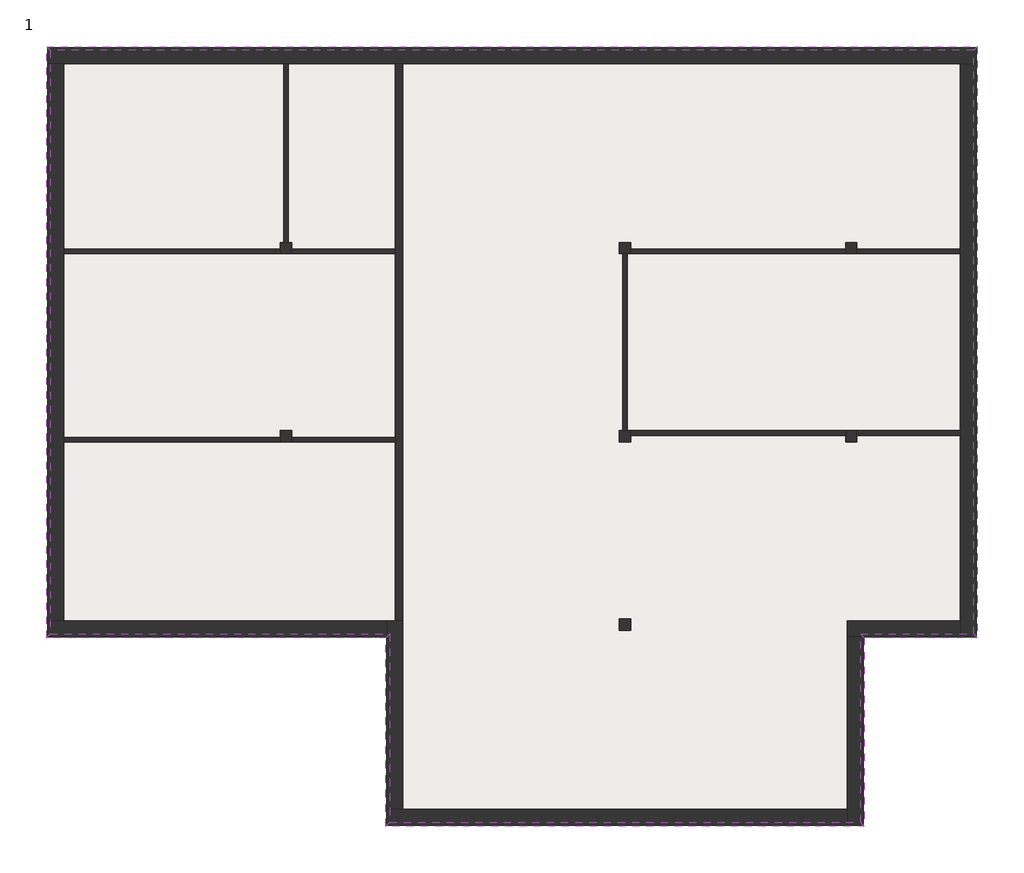
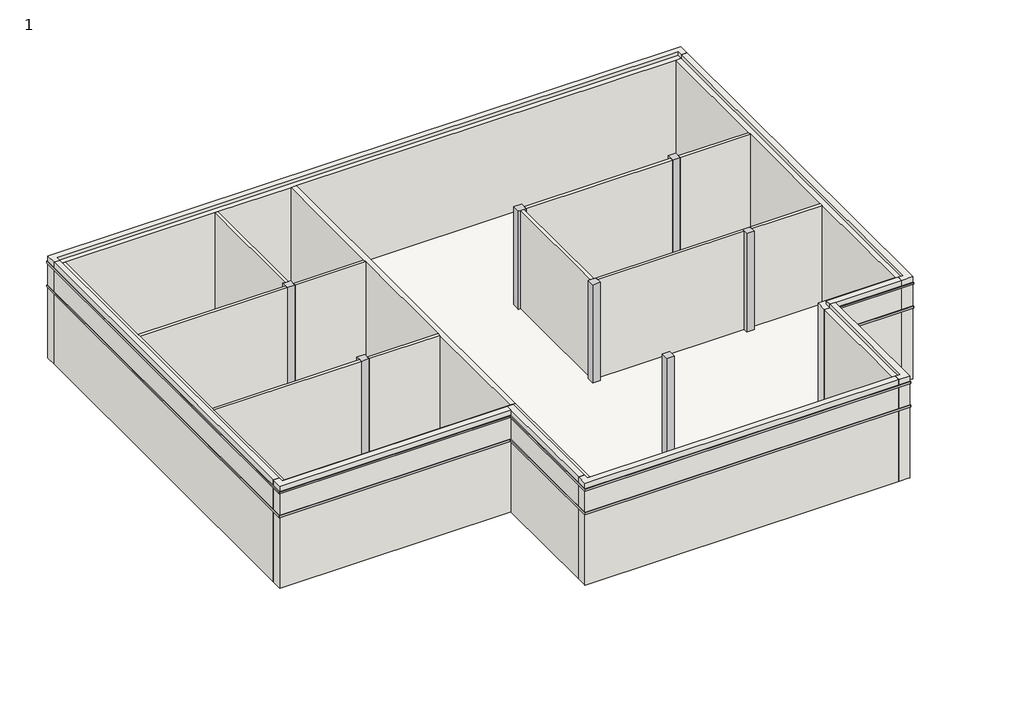
# One storey: 19 walls, 16 proxies, 7 columns, 1 slab.
"""IFC4 building model written with IfcOpenShell, lengths in millimetres."""

from ifc_helpers import new_model, si_unit, frame, origin, place, context, project, spatial, polyline, outline, extrude, faceted_brep, element, save

model = new_model("IFC4")

# Units and contexts
model_context = context("Model", 3, world=origin())
ifc_project = project(units=[si_unit("LENGTHUNIT", "METRE", prefix="MILLI")], contexts=[model_context])

# Site, building, storey
site = spatial("IfcSite", under=ifc_project)
building = spatial("IfcBuilding", under=site)
storey = spatial("IfcBuildingStorey", under=building, Name="1", Elevation=4200.0)

# Proxies
placement = place(None, origin())
element("IfcBuildingElementProxy", 1, Name="Reveals", at=placement, inside=storey, context=model_context, shape_type="SweptSolid", body=[
    extrude(outline(polyline([(-16305.387527, 15039.0054116), (-16407.887527, 15141.5054116), (8291.112473, 15141.5054116), (8188.612473, 15039.0054116), (-16305.387527, 15039.0054116)])), frame((0.0, 0.0, 7125.0), z_axis=(0.0, 0.0, 1.0), x_axis=(1.0, 0.0, 0.0)), (0.0, 0.0, 1.0), 75.0),
])
element("IfcBuildingElementProxy", 2, Name="Reveals", at=placement, inside=storey, context=model_context, shape_type="SweptSolid", body=[
    extrude(outline(polyline([(-16305.387527, 15039.0054116), (-16407.887527, 15141.5054116), (8291.112473, 15141.5054116), (8188.612473, 15039.0054116), (-16305.387527, 15039.0054116)])), frame((0.0, 0.0, 8100.0), z_axis=(0.0, 0.0, 1.0), x_axis=(1.0, 0.0, 0.0)), (0.0, 0.0, 1.0), 75.0),
])
element("IfcBuildingElementProxy", 3, Name="Reveals", at=placement, inside=storey, context=model_context, shape_type="SweptSolid", body=[
    extrude(outline(polyline([(8188.612473, 15039.0054116), (8291.112473, 15141.5054116), (8291.112473, -557.4945884), (8188.612473, -454.9945884), (8188.612473, 15039.0054116)])), frame((0.0, 0.0, 7125.0), z_axis=(0.0, 0.0, 1.0), x_axis=(1.0, 0.0, 0.0)), (0.0, 0.0, 1.0), 75.0),
])
element("IfcBuildingElementProxy", 4, Name="Reveals", at=placement, inside=storey, context=model_context, shape_type="SweptSolid", body=[
    extrude(outline(polyline([(8188.612473, 15039.0054116), (8291.112473, 15141.5054116), (8291.112473, -557.4945884), (8188.612473, -454.9945884), (8188.612473, 15039.0054116)])), frame((0.0, 0.0, 8100.0), z_axis=(0.0, 0.0, 1.0), x_axis=(1.0, 0.0, 0.0)), (0.0, 0.0, 1.0), 75.0),
])
element("IfcBuildingElementProxy", 5, Name="Reveals", at=placement, inside=storey, context=model_context, shape_type="SweptSolid", body=[
    extrude(outline(polyline([(8188.612473, -454.9945884), (8291.112473, -557.4945884), (5291.112473, -557.4945884), (5188.612473, -454.9945884), (8188.612473, -454.9945884)])), frame((0.0, 0.0, 7125.0), z_axis=(0.0, 0.0, 1.0), x_axis=(1.0, 0.0, 0.0)), (0.0, 0.0, 1.0), 75.0),
])
element("IfcBuildingElementProxy", 6, Name="Reveals", at=placement, inside=storey, context=model_context, shape_type="SweptSolid", body=[
    extrude(outline(polyline([(8188.612473, -454.9945884), (8291.112473, -557.4945884), (5291.112473, -557.4945884), (5188.612473, -454.9945884), (8188.612473, -454.9945884)])), frame((0.0, 0.0, 8100.0), z_axis=(0.0, 0.0, 1.0), x_axis=(1.0, 0.0, 0.0)), (0.0, 0.0, 1.0), 75.0),
])
element("IfcBuildingElementProxy", 7, Name="Reveals", at=placement, inside=storey, context=model_context, shape_type="SweptSolid", body=[
    extrude(outline(polyline([(5188.612473, -454.9945884), (5291.112473, -557.4945884), (5291.112473, -5557.4945884), (5188.612473, -5454.9945884), (5188.612473, -454.9945884)])), frame((0.0, 0.0, 7125.0), z_axis=(0.0, 0.0, 1.0), x_axis=(1.0, 0.0, 0.0)), (0.0, 0.0, 1.0), 75.0),
])
element("IfcBuildingElementProxy", 8, Name="Reveals", at=placement, inside=storey, context=model_context, shape_type="SweptSolid", body=[
    extrude(outline(polyline([(5188.612473, -454.9945884), (5291.112473, -557.4945884), (5291.112473, -5557.4945884), (5188.612473, -5454.9945884), (5188.612473, -454.9945884)])), frame((0.0, 0.0, 8100.0), z_axis=(0.0, 0.0, 1.0), x_axis=(1.0, 0.0, 0.0)), (0.0, 0.0, 1.0), 75.0),
])
element("IfcBuildingElementProxy", 9, Name="Reveals", at=placement, inside=storey, context=model_context, shape_type="SweptSolid", body=[
    extrude(outline(polyline([(5188.612473, -5454.9945884), (5291.112473, -5557.4945884), (-7407.887527, -5557.4945884), (-7305.387527, -5454.9945884), (5188.612473, -5454.9945884)])), frame((0.0, 0.0, 7125.0), z_axis=(0.0, 0.0, 1.0), x_axis=(1.0, 0.0, 0.0)), (0.0, 0.0, 1.0), 75.0),
])
element("IfcBuildingElementProxy", 10, Name="Reveals", at=placement, inside=storey, context=model_context, shape_type="SweptSolid", body=[
    extrude(outline(polyline([(5188.612473, -5454.9945884), (5291.112473, -5557.4945884), (-7407.887527, -5557.4945884), (-7305.387527, -5454.9945884), (5188.612473, -5454.9945884)])), frame((0.0, 0.0, 8100.0), z_axis=(0.0, 0.0, 1.0), x_axis=(1.0, 0.0, 0.0)), (0.0, 0.0, 1.0), 75.0),
])
element("IfcBuildingElementProxy", 11, Name="Reveals", at=placement, inside=storey, context=model_context, shape_type="SweptSolid", body=[
    extrude(outline(polyline([(-7305.387527, -5454.9945884), (-7407.887527, -5557.4945884), (-7407.887527, -557.4945884), (-7305.387527, -454.9945884), (-7305.387527, -5454.9945884)])), frame((0.0, 0.0, 7125.0), z_axis=(0.0, 0.0, 1.0), x_axis=(1.0, 0.0, 0.0)), (0.0, 0.0, 1.0), 75.0),
])
element("IfcBuildingElementProxy", 12, Name="Reveals", at=placement, inside=storey, context=model_context, shape_type="SweptSolid", body=[
    extrude(outline(polyline([(-7305.387527, -5454.9945884), (-7407.887527, -5557.4945884), (-7407.887527, -557.4945884), (-7305.387527, -454.9945884), (-7305.387527, -5454.9945884)])), frame((0.0, 0.0, 8100.0), z_axis=(0.0, 0.0, 1.0), x_axis=(1.0, 0.0, 0.0)), (0.0, 0.0, 1.0), 75.0),
])
element("IfcBuildingElementProxy", 13, Name="Reveals", at=placement, inside=storey, context=model_context, shape_type="SweptSolid", body=[
    extrude(outline(polyline([(-7305.387527, -454.9945884), (-7407.887527, -557.4945884), (-16407.887527, -557.4945884), (-16305.387527, -454.9945884), (-7305.387527, -454.9945884)])), frame((0.0, 0.0, 7125.0), z_axis=(0.0, 0.0, 1.0), x_axis=(1.0, 0.0, 0.0)), (0.0, 0.0, 1.0), 75.0),
])
element("IfcBuildingElementProxy", 14, Name="Reveals", at=placement, inside=storey, context=model_context, shape_type="SweptSolid", body=[
    extrude(outline(polyline([(-7305.387527, -454.9945884), (-7407.887527, -557.4945884), (-16407.887527, -557.4945884), (-16305.387527, -454.9945884), (-7305.387527, -454.9945884)])), frame((0.0, 0.0, 8100.0), z_axis=(0.0, 0.0, 1.0), x_axis=(1.0, 0.0, 0.0)), (0.0, 0.0, 1.0), 75.0),
])
element("IfcBuildingElementProxy", 15, Name="Reveals", at=placement, inside=storey, context=model_context, shape_type="SweptSolid", body=[
    extrude(outline(polyline([(-16305.387527, -454.9945884), (-16407.887527, -557.4945884), (-16407.887527, 15141.5054116), (-16305.387527, 15039.0054116), (-16305.387527, -454.9945884)])), frame((0.0, 0.0, 7125.0), z_axis=(0.0, 0.0, 1.0), x_axis=(1.0, 0.0, 0.0)), (0.0, 0.0, 1.0), 75.0),
])
element("IfcBuildingElementProxy", 16, Name="Reveals", at=placement, inside=storey, context=model_context, shape_type="SweptSolid", body=[
    extrude(outline(polyline([(-16305.387527, -454.9945884), (-16407.887527, -557.4945884), (-16407.887527, 15141.5054116), (-16305.387527, 15039.0054116), (-16305.387527, -454.9945884)])), frame((0.0, 0.0, 8100.0), z_axis=(0.0, 0.0, 1.0), x_axis=(1.0, 0.0, 0.0)), (0.0, 0.0, 1.0), 75.0),
])

# Columns
element("IfcColumn", 17, ObjectType="300 x 300 mm", at=placement, inside=storey, context=model_context, shape_type="Brep", body=[
    faceted_brep([(-9908.387527, 9942.0054116, 4200.0), (-9908.387527, 9766.0054116, 4200.0), (-9908.387527, 9642.0054116, 4200.0), (-10208.387527, 9642.0054116, 4200.0), (-10208.387527, 9942.0054116, 4200.0), (-10120.387527, 9942.0054116, 4200.0), (-9996.387527, 9942.0054116, 4200.0), (-9908.387527, 9942.0054116, 8250.0), (-9908.387527, 9766.0054116, 8250.0), (-9908.387527, 9642.0054116, 8250.0), (-10208.387527, 9642.0054116, 8250.0), (-10208.387527, 9942.0054116, 8250.0), (-10120.387527, 9942.0054116, 8250.0), (-9996.387527, 9942.0054116, 8250.0)], [[[0, 1, 2, 3, 4, 5, 6]], [[2, 1, 0, 7, 8, 9]], [[3, 2, 9, 10]], [[4, 3, 10, 11]], [[0, 6, 5, 4, 11, 12, 13, 7]], [[9, 8, 7, 13, 12, 11, 10]]]),
])
element("IfcColumn", 18, ObjectType="300 x 300 mm", at=placement, inside=storey, context=model_context, shape_type="Brep", body=[
    faceted_brep([(-9908.387527, 4942.0054116, 4200.0), (-9908.387527, 4766.0054116, 4200.0), (-9908.387527, 4642.0054116, 4200.0), (-10208.387527, 4642.0054116, 4200.0), (-10208.387527, 4766.0054116, 4200.0), (-10208.387527, 4942.0054116, 4200.0), (-9908.387527, 4942.0054116, 8250.0), (-9908.387527, 4766.0054116, 8250.0), (-9908.387527, 4642.0054116, 8250.0), (-10208.387527, 4642.0054116, 8250.0), (-10208.387527, 4766.0054116, 8250.0), (-10208.387527, 4942.0054116, 8250.0)], [[[0, 1, 2, 3, 4, 5]], [[2, 1, 0, 6, 7, 8]], [[3, 2, 8, 9]], [[5, 4, 3, 9, 10, 11]], [[0, 5, 11, 6]], [[8, 7, 6, 11, 10, 9]]]),
])
element("IfcColumn", 19, ObjectType="300 x 300 mm", at=placement, inside=storey, context=model_context, shape_type="Brep", body=[
    faceted_brep([(-908.387527, 9942.0054116, 4200.0), (-908.387527, 9766.0054116, 4200.0), (-908.387527, 9642.0054116, 4200.0), (-996.387527, 9642.0054116, 4200.0), (-1120.387527, 9642.0054116, 4200.0), (-1208.387527, 9642.0054116, 4200.0), (-1208.387527, 9942.0054116, 4200.0), (-908.387527, 9942.0054116, 8250.0), (-908.387527, 9766.0054116, 8250.0), (-908.387527, 9642.0054116, 8250.0), (-996.387527, 9642.0054116, 8250.0), (-1120.387527, 9642.0054116, 8250.0), (-1208.387527, 9642.0054116, 8250.0), (-1208.387527, 9942.0054116, 8250.0)], [[[0, 1, 2, 3, 4, 5, 6]], [[2, 1, 0, 7, 8, 9]], [[5, 4, 3, 2, 9, 10, 11, 12]], [[6, 5, 12, 13]], [[0, 6, 13, 7]], [[9, 8, 7, 13, 12, 11, 10]]]),
])
element("IfcColumn", 20, ObjectType="300 x 300 mm", at=placement, inside=storey, context=model_context, shape_type="Brep", body=[
    faceted_brep([(-908.387527, 4942.0054116, 4200.0), (-908.387527, 4818.0054116, 4200.0), (-908.387527, 4642.0054116, 4200.0), (-1208.387527, 4642.0054116, 4200.0), (-1208.387527, 4942.0054116, 4200.0), (-1120.387527, 4942.0054116, 4200.0), (-996.387527, 4942.0054116, 4200.0), (-908.387527, 4942.0054116, 8250.0), (-908.387527, 4818.0054116, 8250.0), (-908.387527, 4642.0054116, 8250.0), (-1208.387527, 4642.0054116, 8250.0), (-1208.387527, 4942.0054116, 8250.0), (-1120.387527, 4942.0054116, 8250.0), (-996.387527, 4942.0054116, 8250.0)], [[[0, 1, 2, 3, 4, 5, 6]], [[2, 1, 0, 7, 8, 9]], [[3, 2, 9, 10]], [[4, 3, 10, 11]], [[0, 6, 5, 4, 11, 12, 13, 7]], [[9, 8, 7, 13, 12, 11, 10]]]),
])
element("IfcColumn", 21, ObjectType="300 x 300 mm", at=placement, inside=storey, context=model_context, shape_type="Brep", body=[
    faceted_brep([(5091.612473, 9942.0054116, 4200.0), (5091.612473, 9766.0054116, 4200.0), (5091.612473, 9642.0054116, 4200.0), (4791.612473, 9642.0054116, 4200.0), (4791.612473, 9766.0054116, 4200.0), (4791.612473, 9942.0054116, 4200.0), (5091.612473, 9942.0054116, 8250.0), (5091.612473, 9766.0054116, 8250.0), (5091.612473, 9642.0054116, 8250.0), (4791.612473, 9642.0054116, 8250.0), (4791.612473, 9766.0054116, 8250.0), (4791.612473, 9942.0054116, 8250.0)], [[[0, 1, 2, 3, 4, 5]], [[2, 1, 0, 6, 7, 8]], [[3, 2, 8, 9]], [[5, 4, 3, 9, 10, 11]], [[0, 5, 11, 6]], [[8, 7, 6, 11, 10, 9]]]),
])
element("IfcColumn", 22, ObjectType="300 x 300 mm", at=placement, inside=storey, context=model_context, shape_type="Brep", body=[
    faceted_brep([(5091.612473, 4942.0054116, 4200.0), (5091.612473, 4818.0054116, 4200.0), (5091.612473, 4642.0054116, 4200.0), (4791.612473, 4642.0054116, 4200.0), (4791.612473, 4818.0054116, 4200.0), (4791.612473, 4942.0054116, 4200.0), (5091.612473, 4942.0054116, 8250.0), (5091.612473, 4818.0054116, 8250.0), (5091.612473, 4642.0054116, 8250.0), (4791.612473, 4642.0054116, 8250.0), (4791.612473, 4818.0054116, 8250.0), (4791.612473, 4942.0054116, 8250.0)], [[[0, 1, 2, 3, 4, 5]], [[2, 1, 0, 6, 7, 8]], [[3, 2, 8, 9]], [[5, 4, 3, 9, 10, 11]], [[0, 5, 11, 6]], [[8, 7, 6, 11, 10, 9]]]),
])
element("IfcColumn", 23, ObjectType="300 x 300 mm", at=placement, inside=storey, context=model_context, shape_type="SweptSolid", body=[
    extrude(outline(polyline([(-908.387527, -57.9945884), (-908.387527, -357.9945884), (-1208.387527, -357.9945884), (-1208.387527, -57.9945884), (-908.387527, -57.9945884)])), frame((0.0, 0.0, 4200.0), z_axis=(0.0, 0.0, 1.0), x_axis=(1.0, 0.0, 0.0)), (0.0, 0.0, 1.0), 4050.0),
])

# Slab
element("IfcSlab", 24, at=placement, inside=storey, context=model_context, shape_type="Brep", body=[
    faceted_brep([(8036.612473, 14887.0054116, 4050.0), (8036.612473, 14685.0054116, 4050.0), (8036.612473, -302.9945884, 4050.0), (7834.612473, -302.9945884, 4050.0), (5036.612473, -302.9945884, 4050.0), (5036.612473, -529.9945884, 4050.0), (5036.612473, -5302.9945884, 4050.0), (4834.612473, -5302.9945884, 4050.0), (-7153.387527, -5302.9945884, 4050.0), (-7153.387527, -5100.9945884, 4050.0), (-7153.387527, -302.9945884, 4050.0), (-7380.387527, -302.9945884, 4050.0), (-16153.387527, -302.9945884, 4050.0), (-16153.387527, -100.9945884, 4050.0), (-16153.387527, 14685.0054116, 4050.0), (-16153.387527, 14887.0054116, 4050.0), (8036.612473, 14887.0054116, 4200.0), (-16153.387527, 14887.0054116, 4200.0), (-16153.387527, 14685.0054116, 4200.0), (-16153.387527, -100.9945884, 4200.0), (-16153.387527, -302.9945884, 4200.0), (-7380.387527, -302.9945884, 4200.0), (-7153.387527, -302.9945884, 4200.0), (-7153.387527, -5100.9945884, 4200.0), (-7153.387527, -5302.9945884, 4200.0), (4834.612473, -5302.9945884, 4200.0), (5036.612473, -5302.9945884, 4200.0), (5036.612473, -529.9945884, 4200.0), (5036.612473, -302.9945884, 4200.0), (7834.612473, -302.9945884, 4200.0), (8036.612473, -302.9945884, 4200.0), (8036.612473, 14685.0054116, 4200.0)], [[[0, 1, 2, 3, 4, 5, 6, 7, 8, 9, 10, 11, 12, 13, 14, 15]], [[16, 17, 18, 19, 20, 21, 22, 23, 24, 25, 26, 27, 28, 29, 30, 31]], [[2, 1, 0, 16, 31, 30]], [[4, 3, 2, 30, 29, 28]], [[6, 5, 4, 28, 27, 26]], [[8, 7, 6, 26, 25, 24]], [[10, 9, 8, 24, 23, 22]], [[12, 11, 10, 22, 21, 20]], [[15, 14, 13, 12, 20, 19, 18, 17]], [[0, 15, 17, 16]]]),
])

# Walls
element("IfcWall", 25, at=placement, inside=storey, context=model_context, shape_type="Brep", body=[
    faceted_brep([(-16380.387527, 14685.0054116, 4200.0), (-15951.387527, 14685.0054116, 4200.0), (-10120.387527, 14685.0054116, 4200.0), (-9996.387527, 14685.0054116, 4200.0), (-7151.387527, 14685.0054116, 4200.0), (-6951.387527, 14685.0054116, 4200.0), (7834.612473, 14685.0054116, 4200.0), (8263.612473, 14685.0054116, 4200.0), (8263.612473, 14685.0054116, 7125.0), (8188.612473, 14685.0054116, 7125.0), (8188.612473, 14685.0054116, 7200.0), (8263.612473, 14685.0054116, 7200.0), (8263.612473, 14685.0054116, 8100.0), (8188.612473, 14685.0054116, 8100.0), (8188.612473, 14685.0054116, 8175.0), (8263.612473, 14685.0054116, 8175.0), (8263.612473, 14685.0054116, 8400.0), (8036.612473, 14685.0054116, 8400.0), (8036.612473, 14685.0054116, 8250.0), (7834.612473, 14685.0054116, 8250.0), (-6951.387527, 14685.0054116, 8250.0), (-7151.387527, 14685.0054116, 8250.0), (-9996.387527, 14685.0054116, 8250.0), (-10120.387527, 14685.0054116, 8250.0), (-15951.387527, 14685.0054116, 8250.0), (-16153.387527, 14685.0054116, 8250.0), (-16153.387527, 14685.0054116, 8400.0), (-16380.387527, 14685.0054116, 8400.0), (-16380.387527, 14685.0054116, 8175.0), (-16305.387527, 14685.0054116, 8175.0), (-16305.387527, 14685.0054116, 8100.0), (-16380.387527, 14685.0054116, 8100.0), (-16380.387527, 14685.0054116, 7200.0), (-16305.387527, 14685.0054116, 7200.0), (-16305.387527, 14685.0054116, 7125.0), (-16380.387527, 14685.0054116, 7125.0), (-16380.387527, 15114.0054116, 8400.0), (8263.612473, 15114.0054116, 8400.0), (8263.612473, 15114.0054116, 8175.0), (-16380.387527, 15114.0054116, 8175.0), (8263.612473, 15114.0054116, 4200.0), (-16380.387527, 15114.0054116, 4200.0), (-16380.387527, 15114.0054116, 7125.0), (8263.612473, 15114.0054116, 7125.0), (8263.612473, 15114.0054116, 8100.0), (8263.612473, 15114.0054116, 7200.0), (-16380.387527, 15114.0054116, 7200.0), (-16380.387527, 15114.0054116, 8100.0), (-16153.387527, 14887.0054116, 8400.0), (8036.612473, 14887.0054116, 8400.0), (-16380.387527, 15089.0054116, 4200.0), (8263.612473, 15089.0054116, 4200.0), (-16305.387527, 15039.0054116, 7125.0), (-16305.387527, 15039.0054116, 7200.0), (8188.612473, 15039.0054116, 7200.0), (8188.612473, 15039.0054116, 7125.0), (-16305.387527, 15039.0054116, 8100.0), (-16305.387527, 15039.0054116, 8175.0), (8188.612473, 15039.0054116, 8175.0), (8188.612473, 15039.0054116, 8100.0), (8036.612473, 14887.0054116, 8250.0), (-16153.387527, 14887.0054116, 8250.0)], [[[0, 1, 2, 3, 4, 5, 6, 7, 8, 9, 10, 11, 12, 13, 14, 15, 16, 17, 18, 19, 20, 21, 22, 23, 24, 25, 26, 27, 28, 29, 30, 31, 32, 33, 34, 35]], [[36, 37, 38, 39]], [[40, 41, 42, 43]], [[44, 45, 46, 47]], [[37, 36, 27, 26, 48, 49, 17, 16]], [[7, 6, 5, 4, 3, 2, 1, 0, 50, 51]], [[52, 53, 54, 55]], [[56, 57, 58, 59]], [[37, 16, 15, 38]], [[7, 51, 40, 43, 8]], [[12, 11, 45, 44]], [[55, 54, 10, 9]], [[59, 58, 14, 13]], [[27, 36, 39, 28]], [[50, 0, 35, 42, 41]], [[46, 32, 31, 47]], [[41, 40, 51, 50]], [[54, 53, 33, 32, 46, 45, 11, 10]], [[52, 55, 9, 8, 43, 42, 35, 34]], [[53, 52, 34, 33]], [[58, 57, 29, 28, 39, 38, 15, 14]], [[56, 59, 13, 12, 44, 47, 31, 30]], [[57, 56, 30, 29]], [[60, 61, 25, 24, 23, 22, 21, 20, 19, 18]], [[49, 60, 18, 17]], [[61, 48, 26, 25]], [[61, 60, 49, 48]]]),
])
element("IfcWall", 26, at=placement, inside=storey, context=model_context, shape_type="Brep", body=[
    faceted_brep([(7834.612473, 14685.0054116, 4200.0), (7834.612473, 9766.0054116, 4200.0), (7834.612473, 9642.0054116, 4200.0), (7834.612473, 4942.0054116, 4200.0), (7834.612473, 4818.0054116, 4200.0), (7834.612473, -100.9945884, 4200.0), (7834.612473, -529.9945884, 4200.0), (7834.612473, -529.9945884, 7125.0), (7834.612473, -454.9945884, 7125.0), (7834.612473, -454.9945884, 7200.0), (7834.612473, -529.9945884, 7200.0), (7834.612473, -529.9945884, 8100.0), (7834.612473, -454.9945884, 8100.0), (7834.612473, -454.9945884, 8175.0), (7834.612473, -529.9945884, 8175.0), (7834.612473, -529.9945884, 8400.0), (7834.612473, -302.9945884, 8400.0), (7834.612473, -302.9945884, 8250.0), (7834.612473, 4818.0054116, 8250.0), (7834.612473, 4942.0054116, 8250.0), (7834.612473, 9642.0054116, 8250.0), (7834.612473, 9766.0054116, 8250.0), (7834.612473, 14685.0054116, 8250.0), (8263.612473, 14685.0054116, 8400.0), (8263.612473, -529.9945884, 8400.0), (8263.612473, -529.9945884, 8175.0), (8263.612473, 14685.0054116, 8175.0), (8263.612473, -529.9945884, 4200.0), (8263.612473, 14685.0054116, 4200.0), (8263.612473, 14685.0054116, 7125.0), (8263.612473, -529.9945884, 7125.0), (8263.612473, -529.9945884, 7200.0), (8263.612473, 14685.0054116, 7200.0), (8263.612473, 14685.0054116, 8100.0), (8263.612473, -529.9945884, 8100.0), (8036.612473, 14685.0054116, 8400.0), (8036.612473, -302.9945884, 8400.0), (8238.612473, 14685.0054116, 4200.0), (8238.612473, -529.9945884, 4200.0), (8188.612473, -454.9945884, 7125.0), (8188.612473, 14685.0054116, 7125.0), (8188.612473, 14685.0054116, 7200.0), (8188.612473, -454.9945884, 7200.0), (8188.612473, -454.9945884, 8100.0), (8188.612473, 14685.0054116, 8100.0), (8188.612473, 14685.0054116, 8175.0), (8188.612473, -454.9945884, 8175.0), (8036.612473, 14685.0054116, 8250.0), (8036.612473, -302.9945884, 8250.0)], [[[0, 1, 2, 3, 4, 5, 6, 7, 8, 9, 10, 11, 12, 13, 14, 15, 16, 17, 18, 19, 20, 21, 22]], [[23, 24, 25, 26]], [[27, 28, 29, 30]], [[31, 32, 33, 34]], [[24, 23, 35, 36, 16, 15]], [[6, 5, 4, 3, 2, 1, 0, 37, 38]], [[39, 40, 41, 42]], [[43, 44, 45, 46]], [[37, 0, 22, 47, 35, 23, 26, 45, 44, 33, 32, 41, 40, 29, 28]], [[28, 27, 38, 37]], [[42, 41, 32, 31, 10, 9]], [[40, 39, 8, 7, 30, 29]], [[46, 45, 26, 25, 14, 13]], [[44, 43, 12, 11, 34, 33]], [[24, 15, 14, 25]], [[6, 38, 27, 30, 7]], [[10, 31, 34, 11]], [[39, 42, 9, 8]], [[43, 46, 13, 12]], [[17, 48, 47, 22, 21, 20, 19, 18]], [[48, 36, 35, 47]], [[36, 48, 17, 16]]]),
])
element("IfcWall", 27, at=placement, inside=storey, context=model_context, shape_type="Brep", body=[
    faceted_brep([(7834.612473, -100.9945884, 4200.0), (4834.612473, -100.9945884, 4200.0), (4834.612473, -100.9945884, 8250.0), (7834.612473, -100.9945884, 8250.0), (4834.612473, -529.9945884, 4200.0), (5263.612473, -529.9945884, 4200.0), (7834.612473, -529.9945884, 4200.0), (7834.612473, -529.9945884, 7125.0), (5263.612473, -529.9945884, 7125.0), (5188.612473, -529.9945884, 7125.0), (5188.612473, -529.9945884, 7200.0), (5263.612473, -529.9945884, 7200.0), (7834.612473, -529.9945884, 7200.0), (7834.612473, -529.9945884, 8100.0), (5263.612473, -529.9945884, 8100.0), (5188.612473, -529.9945884, 8100.0), (5188.612473, -529.9945884, 8175.0), (5263.612473, -529.9945884, 8175.0), (7834.612473, -529.9945884, 8175.0), (7834.612473, -529.9945884, 8400.0), (5263.612473, -529.9945884, 8400.0), (5036.612473, -529.9945884, 8400.0), (5036.612473, -529.9945884, 8250.0), (4834.612473, -529.9945884, 8250.0), (7834.612473, -302.9945884, 8400.0), (5036.612473, -302.9945884, 8400.0), (7834.612473, -504.9945884, 4200.0), (4834.612473, -504.9945884, 4200.0), (5188.612473, -454.9945884, 7125.0), (7834.612473, -454.9945884, 7125.0), (7834.612473, -454.9945884, 7200.0), (5188.612473, -454.9945884, 7200.0), (5188.612473, -454.9945884, 8100.0), (7834.612473, -454.9945884, 8100.0), (7834.612473, -454.9945884, 8175.0), (5188.612473, -454.9945884, 8175.0), (7834.612473, -302.9945884, 8250.0), (5036.612473, -302.9945884, 8250.0)], [[[0, 1, 2, 3]], [[4, 5, 6, 7, 8, 9, 10, 11, 12, 13, 14, 15, 16, 17, 18, 19, 20, 21, 22, 23]], [[21, 20, 19, 24, 25]], [[1, 0, 26, 27]], [[28, 29, 30, 31]], [[32, 33, 34, 35]], [[26, 0, 3, 36, 24, 19, 18, 34, 33, 13, 12, 30, 29, 7, 6]], [[6, 5, 4, 27, 26]], [[31, 30, 12, 11, 10]], [[29, 28, 9, 8, 7]], [[35, 34, 18, 17, 16]], [[33, 32, 15, 14, 13]], [[1, 27, 4, 23, 2]], [[28, 31, 10, 9]], [[32, 35, 16, 15]], [[22, 37, 36, 3, 2, 23]], [[37, 25, 24, 36]], [[25, 37, 22, 21]]]),
])
element("IfcWall", 28, at=placement, inside=storey, context=model_context, shape_type="Brep", body=[
    faceted_brep([(4834.612473, -529.9945884, 4200.0), (4834.612473, -5100.9945884, 4200.0), (4834.612473, -5529.9945884, 4200.0), (4834.612473, -5529.9945884, 7125.0), (4834.612473, -5454.9945884, 7125.0), (4834.612473, -5454.9945884, 7200.0), (4834.612473, -5529.9945884, 7200.0), (4834.612473, -5529.9945884, 8100.0), (4834.612473, -5454.9945884, 8100.0), (4834.612473, -5454.9945884, 8175.0), (4834.612473, -5529.9945884, 8175.0), (4834.612473, -5529.9945884, 8400.0), (4834.612473, -5302.9945884, 8400.0), (4834.612473, -5302.9945884, 8250.0), (4834.612473, -529.9945884, 8250.0), (5263.612473, -529.9945884, 8400.0), (5263.612473, -5529.9945884, 8400.0), (5263.612473, -5529.9945884, 8175.0), (5263.612473, -529.9945884, 8175.0), (5263.612473, -5529.9945884, 4200.0), (5263.612473, -529.9945884, 4200.0), (5263.612473, -529.9945884, 7125.0), (5263.612473, -5529.9945884, 7125.0), (5263.612473, -5529.9945884, 7200.0), (5263.612473, -529.9945884, 7200.0), (5263.612473, -529.9945884, 8100.0), (5263.612473, -5529.9945884, 8100.0), (5036.612473, -529.9945884, 8400.0), (5036.612473, -5302.9945884, 8400.0), (5238.612473, -529.9945884, 4200.0), (5238.612473, -5529.9945884, 4200.0), (5188.612473, -5454.9945884, 7125.0), (5188.612473, -529.9945884, 7125.0), (5188.612473, -529.9945884, 7200.0), (5188.612473, -5454.9945884, 7200.0), (5188.612473, -5454.9945884, 8100.0), (5188.612473, -529.9945884, 8100.0), (5188.612473, -529.9945884, 8175.0), (5188.612473, -5454.9945884, 8175.0), (5036.612473, -529.9945884, 8250.0), (5036.612473, -5302.9945884, 8250.0)], [[[0, 1, 2, 3, 4, 5, 6, 7, 8, 9, 10, 11, 12, 13, 14]], [[15, 16, 17, 18]], [[19, 20, 21, 22]], [[23, 24, 25, 26]], [[16, 15, 27, 28, 12, 11]], [[2, 1, 0, 29, 30]], [[31, 32, 33, 34]], [[35, 36, 37, 38]], [[29, 0, 14, 39, 27, 15, 18, 37, 36, 25, 24, 33, 32, 21, 20]], [[20, 19, 30, 29]], [[34, 33, 24, 23, 6, 5]], [[32, 31, 4, 3, 22, 21]], [[38, 37, 18, 17, 10, 9]], [[36, 35, 8, 7, 26, 25]], [[16, 11, 10, 17]], [[2, 30, 19, 22, 3]], [[6, 23, 26, 7]], [[31, 34, 5, 4]], [[35, 38, 9, 8]], [[13, 40, 39, 14]], [[40, 28, 27, 39]], [[28, 40, 13, 12]]]),
])
element("IfcWall", 29, at=placement, inside=storey, context=model_context, shape_type="Brep", body=[
    faceted_brep([(4834.612473, -5100.9945884, 4200.0), (-6951.387527, -5100.9945884, 4200.0), (-7380.387527, -5100.9945884, 4200.0), (-7380.387527, -5100.9945884, 7125.0), (-7305.387527, -5100.9945884, 7125.0), (-7305.387527, -5100.9945884, 7200.0), (-7380.387527, -5100.9945884, 7200.0), (-7380.387527, -5100.9945884, 8100.0), (-7305.387527, -5100.9945884, 8100.0), (-7305.387527, -5100.9945884, 8175.0), (-7380.387527, -5100.9945884, 8175.0), (-7380.387527, -5100.9945884, 8400.0), (-7153.387527, -5100.9945884, 8400.0), (-7153.387527, -5100.9945884, 8250.0), (4834.612473, -5100.9945884, 8250.0), (4834.612473, -5529.9945884, 8400.0), (-7380.387527, -5529.9945884, 8400.0), (-7380.387527, -5529.9945884, 8175.0), (4834.612473, -5529.9945884, 8175.0), (-7380.387527, -5529.9945884, 4200.0), (4834.612473, -5529.9945884, 4200.0), (4834.612473, -5529.9945884, 7125.0), (-7380.387527, -5529.9945884, 7125.0), (-7380.387527, -5529.9945884, 7200.0), (4834.612473, -5529.9945884, 7200.0), (4834.612473, -5529.9945884, 8100.0), (-7380.387527, -5529.9945884, 8100.0), (4834.612473, -5302.9945884, 8400.0), (-7153.387527, -5302.9945884, 8400.0), (4834.612473, -5504.9945884, 4200.0), (-7380.387527, -5504.9945884, 4200.0), (-7305.387527, -5454.9945884, 7125.0), (4834.612473, -5454.9945884, 7125.0), (4834.612473, -5454.9945884, 7200.0), (-7305.387527, -5454.9945884, 7200.0), (-7305.387527, -5454.9945884, 8100.0), (4834.612473, -5454.9945884, 8100.0), (4834.612473, -5454.9945884, 8175.0), (-7305.387527, -5454.9945884, 8175.0), (4834.612473, -5302.9945884, 8250.0), (-7153.387527, -5302.9945884, 8250.0)], [[[0, 1, 2, 3, 4, 5, 6, 7, 8, 9, 10, 11, 12, 13, 14]], [[15, 16, 17, 18]], [[19, 20, 21, 22]], [[23, 24, 25, 26]], [[16, 15, 27, 28, 12, 11]], [[2, 1, 0, 29, 30]], [[31, 32, 33, 34]], [[35, 36, 37, 38]], [[29, 0, 14, 39, 27, 15, 18, 37, 36, 25, 24, 33, 32, 21, 20]], [[20, 19, 30, 29]], [[34, 33, 24, 23, 6, 5]], [[32, 31, 4, 3, 22, 21]], [[38, 37, 18, 17, 10, 9]], [[36, 35, 8, 7, 26, 25]], [[16, 11, 10, 17]], [[2, 30, 19, 22, 3]], [[6, 23, 26, 7]], [[31, 34, 5, 4]], [[35, 38, 9, 8]], [[13, 40, 39, 14]], [[40, 28, 27, 39]], [[28, 40, 13, 12]]]),
])
element("IfcWall", 30, at=placement, inside=storey, context=model_context, shape_type="Brep", body=[
    faceted_brep([(-6951.387527, -5100.9945884, 4200.0), (-6951.387527, -100.9945884, 4200.0), (-6951.387527, -100.9945884, 8250.0), (-6951.387527, -5100.9945884, 8250.0), (-7380.387527, -100.9945884, 4200.0), (-7380.387527, -529.9945884, 4200.0), (-7380.387527, -5100.9945884, 4200.0), (-7380.387527, -5100.9945884, 7125.0), (-7380.387527, -529.9945884, 7125.0), (-7380.387527, -454.9945884, 7125.0), (-7380.387527, -454.9945884, 7200.0), (-7380.387527, -529.9945884, 7200.0), (-7380.387527, -5100.9945884, 7200.0), (-7380.387527, -5100.9945884, 8100.0), (-7380.387527, -529.9945884, 8100.0), (-7380.387527, -454.9945884, 8100.0), (-7380.387527, -454.9945884, 8175.0), (-7380.387527, -529.9945884, 8175.0), (-7380.387527, -5100.9945884, 8175.0), (-7380.387527, -5100.9945884, 8400.0), (-7380.387527, -529.9945884, 8400.0), (-7380.387527, -302.9945884, 8400.0), (-7380.387527, -302.9945884, 8250.0), (-7380.387527, -100.9945884, 8250.0), (-7153.387527, -5100.9945884, 8400.0), (-7153.387527, -302.9945884, 8400.0), (-7355.387527, -5100.9945884, 4200.0), (-7355.387527, -100.9945884, 4200.0), (-7151.387527, -100.9945884, 4200.0), (-7305.387527, -454.9945884, 7125.0), (-7305.387527, -5100.9945884, 7125.0), (-7305.387527, -5100.9945884, 7200.0), (-7305.387527, -454.9945884, 7200.0), (-7305.387527, -454.9945884, 8100.0), (-7305.387527, -5100.9945884, 8100.0), (-7305.387527, -5100.9945884, 8175.0), (-7305.387527, -454.9945884, 8175.0), (-7153.387527, -5100.9945884, 8250.0), (-7153.387527, -302.9945884, 8250.0), (-7151.387527, -100.9945884, 8250.0)], [[[0, 1, 2, 3]], [[4, 5, 6, 7, 8, 9, 10, 11, 12, 13, 14, 15, 16, 17, 18, 19, 20, 21, 22, 23]], [[21, 20, 19, 24, 25]], [[1, 0, 26, 27, 28]], [[29, 30, 31, 32]], [[33, 34, 35, 36]], [[26, 0, 3, 37, 24, 19, 18, 35, 34, 13, 12, 31, 30, 7, 6]], [[6, 5, 4, 27, 26]], [[32, 31, 12, 11, 10]], [[30, 29, 9, 8, 7]], [[36, 35, 18, 17, 16]], [[34, 33, 15, 14, 13]], [[29, 32, 10, 9]], [[33, 36, 16, 15]], [[22, 38, 37, 3, 2, 39, 23]], [[38, 25, 24, 37]], [[25, 38, 22, 21]], [[1, 28, 27, 4, 23, 39, 2]]]),
])
element("IfcWall", 31, at=placement, inside=storey, context=model_context, shape_type="Brep", body=[
    faceted_brep([(-7380.387527, -100.9945884, 4200.0), (-15951.387527, -100.9945884, 4200.0), (-16380.387527, -100.9945884, 4200.0), (-16380.387527, -100.9945884, 7125.0), (-16305.387527, -100.9945884, 7125.0), (-16305.387527, -100.9945884, 7200.0), (-16380.387527, -100.9945884, 7200.0), (-16380.387527, -100.9945884, 8100.0), (-16305.387527, -100.9945884, 8100.0), (-16305.387527, -100.9945884, 8175.0), (-16380.387527, -100.9945884, 8175.0), (-16380.387527, -100.9945884, 8400.0), (-16153.387527, -100.9945884, 8400.0), (-16153.387527, -100.9945884, 8250.0), (-15951.387527, -100.9945884, 8250.0), (-7380.387527, -100.9945884, 8250.0), (-7380.387527, -529.9945884, 8400.0), (-16380.387527, -529.9945884, 8400.0), (-16380.387527, -529.9945884, 8175.0), (-7380.387527, -529.9945884, 8175.0), (-16380.387527, -529.9945884, 4200.0), (-7380.387527, -529.9945884, 4200.0), (-7380.387527, -529.9945884, 7125.0), (-16380.387527, -529.9945884, 7125.0), (-16380.387527, -529.9945884, 7200.0), (-7380.387527, -529.9945884, 7200.0), (-7380.387527, -529.9945884, 8100.0), (-16380.387527, -529.9945884, 8100.0), (-7380.387527, -302.9945884, 8400.0), (-16153.387527, -302.9945884, 8400.0), (-7380.387527, -504.9945884, 4200.0), (-16380.387527, -504.9945884, 4200.0), (-16305.387527, -454.9945884, 7125.0), (-7380.387527, -454.9945884, 7125.0), (-7380.387527, -454.9945884, 7200.0), (-16305.387527, -454.9945884, 7200.0), (-16305.387527, -454.9945884, 8100.0), (-7380.387527, -454.9945884, 8100.0), (-7380.387527, -454.9945884, 8175.0), (-16305.387527, -454.9945884, 8175.0), (-16153.387527, -302.9945884, 8250.0), (-7380.387527, -302.9945884, 8250.0)], [[[0, 1, 2, 3, 4, 5, 6, 7, 8, 9, 10, 11, 12, 13, 14, 15]], [[16, 17, 18, 19]], [[20, 21, 22, 23]], [[24, 25, 26, 27]], [[17, 16, 28, 29, 12, 11]], [[2, 1, 0, 30, 31]], [[32, 33, 34, 35]], [[36, 37, 38, 39]], [[21, 20, 31, 30]], [[35, 34, 25, 24, 6, 5]], [[33, 32, 4, 3, 23, 22]], [[39, 38, 19, 18, 10, 9]], [[37, 36, 8, 7, 27, 26]], [[17, 11, 10, 18]], [[2, 31, 20, 23, 3]], [[6, 24, 27, 7]], [[32, 35, 5, 4]], [[36, 39, 9, 8]], [[13, 40, 41, 15, 14]], [[40, 29, 28, 41]], [[29, 40, 13, 12]], [[30, 0, 15, 41, 28, 16, 19, 38, 37, 26, 25, 34, 33, 22, 21]]]),
])
element("IfcWall", 32, at=placement, inside=storey, context=model_context, shape_type="Brep", body=[
    faceted_brep([(-15951.387527, -100.9945884, 4200.0), (-15951.387527, 4642.0054116, 4200.0), (-15951.387527, 4766.0054116, 4200.0), (-15951.387527, 14685.0054116, 4200.0), (-15951.387527, 14685.0054116, 8250.0), (-15951.387527, 4766.0054116, 8250.0), (-15951.387527, 4642.0054116, 8250.0), (-15951.387527, -100.9945884, 8250.0), (-16380.387527, -100.9945884, 8400.0), (-16380.387527, 14685.0054116, 8400.0), (-16380.387527, 14685.0054116, 8175.0), (-16380.387527, -100.9945884, 8175.0), (-16380.387527, 14685.0054116, 4200.0), (-16380.387527, -100.9945884, 4200.0), (-16380.387527, -100.9945884, 7125.0), (-16380.387527, 14685.0054116, 7125.0), (-16380.387527, 14685.0054116, 7200.0), (-16380.387527, -100.9945884, 7200.0), (-16380.387527, -100.9945884, 8100.0), (-16380.387527, 14685.0054116, 8100.0), (-16153.387527, -100.9945884, 8400.0), (-16153.387527, 14685.0054116, 8400.0), (-16355.387527, -100.9945884, 4200.0), (-16355.387527, 14685.0054116, 4200.0), (-16305.387527, 14685.0054116, 7125.0), (-16305.387527, -100.9945884, 7125.0), (-16305.387527, -100.9945884, 7200.0), (-16305.387527, 14685.0054116, 7200.0), (-16305.387527, 14685.0054116, 8100.0), (-16305.387527, -100.9945884, 8100.0), (-16305.387527, -100.9945884, 8175.0), (-16305.387527, 14685.0054116, 8175.0), (-16153.387527, 14685.0054116, 8250.0), (-16153.387527, -100.9945884, 8250.0)], [[[0, 1, 2, 3, 4, 5, 6, 7]], [[8, 9, 10, 11]], [[12, 13, 14, 15]], [[16, 17, 18, 19]], [[9, 8, 20, 21]], [[3, 2, 1, 0, 22, 23]], [[24, 25, 26, 27]], [[28, 29, 30, 31]], [[3, 23, 12, 15, 24, 27, 16, 19, 28, 31, 10, 9, 21, 32, 4]], [[22, 0, 7, 33, 20, 8, 11, 30, 29, 18, 17, 26, 25, 14, 13]], [[13, 12, 23, 22]], [[27, 26, 17, 16]], [[25, 24, 15, 14]], [[31, 30, 11, 10]], [[29, 28, 19, 18]], [[32, 33, 7, 6, 5, 4]], [[33, 32, 21, 20]]]),
])
element("IfcWall", 33, at=placement, inside=storey, context=model_context, shape_type="Brep", body=[
    faceted_brep([(-7151.387527, 14685.0054116, 4200.0), (-7151.387527, 9766.0054116, 4200.0), (-7151.387527, 9642.0054116, 4200.0), (-7151.387527, 4766.0054116, 4200.0), (-7151.387527, 4642.0054116, 4200.0), (-7151.387527, -100.9945884, 4200.0), (-7151.387527, -100.9945884, 8250.0), (-7151.387527, 4642.0054116, 8250.0), (-7151.387527, 4766.0054116, 8250.0), (-7151.387527, 9642.0054116, 8250.0), (-7151.387527, 9766.0054116, 8250.0), (-7151.387527, 14685.0054116, 8250.0), (-6951.387527, 14685.0054116, 4200.0), (-6951.387527, 14685.0054116, 8250.0), (-6951.387527, -100.9945884, 8250.0), (-6951.387527, -100.9945884, 4200.0)], [[[0, 1, 2, 3, 4, 5, 6, 7, 8, 9, 10, 11]], [[12, 13, 14, 15]], [[5, 4, 3, 2, 1, 0, 12, 15]], [[11, 10, 9, 8, 7, 6, 14, 13]], [[0, 11, 13, 12]], [[6, 5, 15, 14]]]),
])
element("IfcWall", 34, at=placement, inside=storey, context=model_context, shape_type="SweptSolid", body=[
    extrude(outline(polyline([(-15951.387527, 9766.0054116), (-10208.387527, 9766.0054116), (-10208.387527, 9642.0054116), (-15951.387527, 9642.0054116), (-15951.387527, 9766.0054116)])), frame((0.0, 0.0, 4200.0), z_axis=(0.0, 0.0, 1.0), x_axis=(1.0, 0.0, 0.0)), (0.0, 0.0, 1.0), 4050.0),
])
element("IfcWall", 35, at=placement, inside=storey, context=model_context, shape_type="SweptSolid", body=[
    extrude(outline(polyline([(-15951.387527, 4766.0054116), (-10208.387527, 4766.0054116), (-10208.387527, 4642.0054116), (-15951.387527, 4642.0054116), (-15951.387527, 4766.0054116)])), frame((0.0, 0.0, 4200.0), z_axis=(0.0, 0.0, 1.0), x_axis=(1.0, 0.0, 0.0)), (0.0, 0.0, 1.0), 4050.0),
])
element("IfcWall", 36, at=placement, inside=storey, context=model_context, shape_type="SweptSolid", body=[
    extrude(outline(polyline([(-7151.387527, 9642.0054116), (-9908.387527, 9642.0054116), (-9908.387527, 9766.0054116), (-7151.387527, 9766.0054116), (-7151.387527, 9642.0054116)])), frame((0.0, 0.0, 4200.0), z_axis=(0.0, 0.0, 1.0), x_axis=(1.0, 0.0, 0.0)), (0.0, 0.0, 1.0), 4050.0),
])
element("IfcWall", 37, at=placement, inside=storey, context=model_context, shape_type="SweptSolid", body=[
    extrude(outline(polyline([(-7151.387527, 4642.0054116), (-9908.387527, 4642.0054116), (-9908.387527, 4766.0054116), (-7151.387527, 4766.0054116), (-7151.387527, 4642.0054116)])), frame((0.0, 0.0, 4200.0), z_axis=(0.0, 0.0, 1.0), x_axis=(1.0, 0.0, 0.0)), (0.0, 0.0, 1.0), 4050.0),
])
element("IfcWall", 38, at=placement, inside=storey, context=model_context, shape_type="SweptSolid", body=[
    extrude(outline(polyline([(-9996.387527, 14685.0054116), (-9996.387527, 9942.0054116), (-10120.387527, 9942.0054116), (-10120.387527, 14685.0054116), (-9996.387527, 14685.0054116)])), frame((0.0, 0.0, 4200.0), z_axis=(0.0, 0.0, 1.0), x_axis=(1.0, 0.0, 0.0)), (0.0, 0.0, 1.0), 4050.0),
])
element("IfcWall", 39, at=placement, inside=storey, context=model_context, shape_type="SweptSolid", body=[
    extrude(outline(polyline([(4791.612473, 9642.0054116), (-908.387527, 9642.0054116), (-908.387527, 9766.0054116), (4791.612473, 9766.0054116), (4791.612473, 9642.0054116)])), frame((0.0, 0.0, 4200.0), z_axis=(0.0, 0.0, 1.0), x_axis=(1.0, 0.0, 0.0)), (0.0, 0.0, 1.0), 4050.0),
])
element("IfcWall", 40, at=placement, inside=storey, context=model_context, shape_type="SweptSolid", body=[
    extrude(outline(polyline([(7834.612473, 9642.0054116), (5091.612473, 9642.0054116), (5091.612473, 9766.0054116), (7834.612473, 9766.0054116), (7834.612473, 9642.0054116)])), frame((0.0, 0.0, 4200.0), z_axis=(0.0, 0.0, 1.0), x_axis=(1.0, 0.0, 0.0)), (0.0, 0.0, 1.0), 4050.0),
])
element("IfcWall", 41, at=placement, inside=storey, context=model_context, shape_type="SweptSolid", body=[
    extrude(outline(polyline([(4791.612473, 4818.0054116), (-908.387527, 4818.0054116), (-908.387527, 4942.0054116), (4791.612473, 4942.0054116), (4791.612473, 4818.0054116)])), frame((0.0, 0.0, 4200.0), z_axis=(0.0, 0.0, 1.0), x_axis=(1.0, 0.0, 0.0)), (0.0, 0.0, 1.0), 4050.0),
])
element("IfcWall", 42, at=placement, inside=storey, context=model_context, shape_type="SweptSolid", body=[
    extrude(outline(polyline([(7834.612473, 4818.0054116), (5091.612473, 4818.0054116), (5091.612473, 4942.0054116), (7834.612473, 4942.0054116), (7834.612473, 4818.0054116)])), frame((0.0, 0.0, 4200.0), z_axis=(0.0, 0.0, 1.0), x_axis=(1.0, 0.0, 0.0)), (0.0, 0.0, 1.0), 4050.0),
])
element("IfcWall", 43, at=placement, inside=storey, context=model_context, shape_type="SweptSolid", body=[
    extrude(outline(polyline([(-996.387527, 9642.0054116), (-996.387527, 4942.0054116), (-1120.387527, 4942.0054116), (-1120.387527, 9642.0054116), (-996.387527, 9642.0054116)])), frame((0.0, 0.0, 4200.0), z_axis=(0.0, 0.0, 1.0), x_axis=(1.0, 0.0, 0.0)), (0.0, 0.0, 1.0), 4050.0),
])

save(model, "model.ifc")
